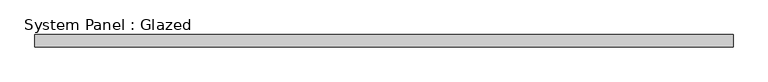
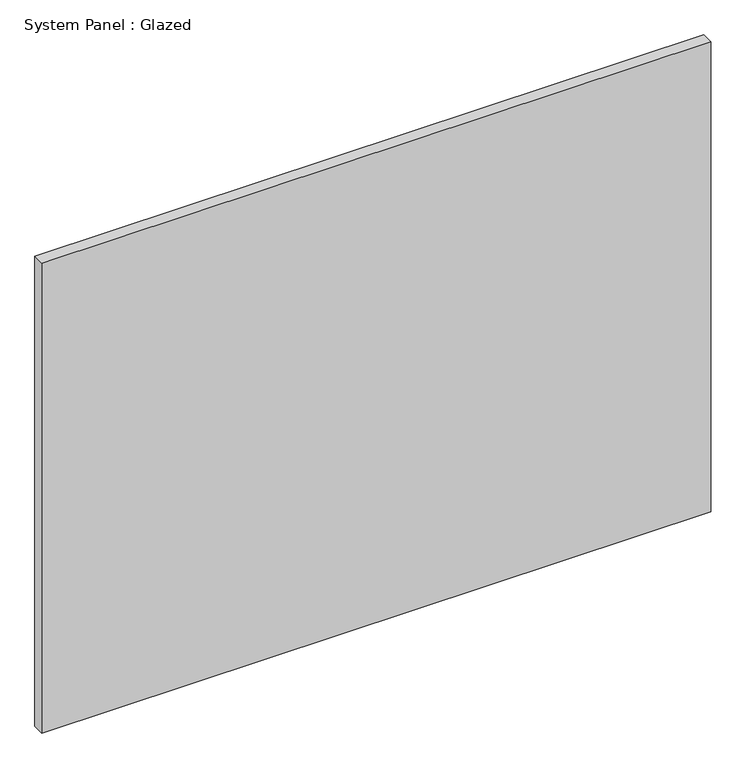
"""IFC4 building model written with IfcOpenShell, lengths in millimetres: plate geometry, System Panel : Glazed."""

from ifc_helpers import new_model, si_unit, origin, origin_with_axes, place, context, project, spatial, polyline, outline, extrude, source, transform, mapped, element, save


def system_panel_glazed_97d31c35(model_context):
    return source(origin(), model_context, "Body", "SweptSolid", [
        extrude(outline(polyline([(727.075, -12.7), (-727.075, -12.7), (-727.075, 12.7), (727.075, 12.7), (727.075, -12.7)])), origin_with_axes(), (0.0, 0.0, 1.0), 1080.0),
    ])


if __name__ == "__main__":
    model = new_model("IFC4")
    model_context = context("Model", 3, world=origin())
    ifc_project = project(units=[si_unit("LENGTHUNIT", "METRE", prefix="MILLI")], contexts=[model_context])
    site = spatial("IfcSite", under=ifc_project)
    building = spatial("IfcBuilding", under=site)
    placement = place(None, origin())
    system_panel_glazed_shape = system_panel_glazed_97d31c35(model_context)
    element("IfcPlate", 1, ObjectType="System Panel : Glazed", at=placement, inside=building, context=model_context, shape_type="MappedRepresentation", body=[
        mapped(system_panel_glazed_shape, transform((0.0, 0.0, 0.0), x_axis=(1.0, 0.0, 0.0), y_axis=(0.0, 1.0, 0.0), z_axis=(0.0, 0.0, 1.0))),
    ])
    save(model, "model.ifc")
